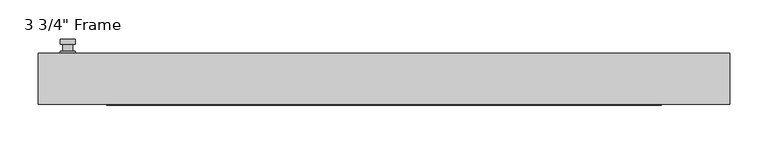
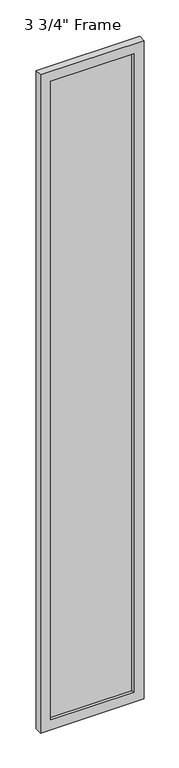
"""IFC4 building model written with IfcOpenShell, lengths in millimetres: plate geometry."""

import ifcopenshell
import ifcopenshell.guid

model = None  # the IFC model being written
_history = None  # IfcOwnerHistory: only IFC2X3 demands one
_inside = {}  # id of a spatial element -> (the spatial element, [elements in it])
_under = {}  # id of a project, library or spatial element -> (it, [spatial elements below it])
_declared = {}  # id of a project -> (the project, [libraries it declares])
_typed = {}  # id of a type object -> (the type object, [elements of that type])
_made_of = {}  # id of a material, layer set ... -> (it, [elements and type objects made of it])


def new_model(schema):
    """Start an empty IFC model of exactly this schema.

    Asked for "IFC4X3", IfcOpenShell would pick the latest addendum, in which some entities
    have other attributes; the version numbers below select the first issue.
    IFC2X3 requires an IfcOwnerHistory on every rooted entity: one is made here for all.
    """
    global model, _history
    if schema == "IFC4X3":
        model = ifcopenshell.file(schema_version=(4, 3, 0, 0))
    else:
        model = ifcopenshell.file(schema=schema)
    _inside.clear()
    _under.clear()
    _declared.clear()
    _typed.clear()
    _made_of.clear()
    _history = None
    if model.schema == "IFC2X3":
        org = make("IfcOrganization", Name="unknown")
        user = make(
            "IfcPersonAndOrganization",
            ThePerson=make("IfcPerson", FamilyName="unknown"),
            TheOrganization=org,
        )
        app = make(
            "IfcApplication",
            ApplicationDeveloper=org,
            Version="unknown",
            ApplicationFullName="unknown",
            ApplicationIdentifier="unknown",
        )
        _history = make(
            "IfcOwnerHistory",
            OwningUser=user,
            OwningApplication=app,
            ChangeAction="ADDED",
            CreationDate=0,
        )
    return model


def make(cls, **values):
    """One entity of the class cls with the attributes given. An attribute that is None is left unset."""
    return model.create_entity(
        cls, **{name: value for name, value in values.items() if value is not None}
    )


def rooted(cls, **values):
    """An entity with a GlobalId (a new one), such as an element, a storey or a relation."""
    return make(cls, GlobalId=ifcopenshell.guid.new(), OwnerHistory=_history, **values)


def si_unit(unit_type, name, prefix=None):
    """IfcSIUnit, for example si_unit("LENGTHUNIT", "METRE", prefix="MILLI")."""
    return make("IfcSIUnit", UnitType=unit_type, Prefix=prefix, Name=name)


def assignment(units):
    """IfcUnitAssignment: the units of a project."""
    return None if units is None else make("IfcUnitAssignment", Units=units)


def point(xyz):
    """IfcCartesianPoint."""
    return None if xyz is None else make("IfcCartesianPoint", Coordinates=xyz)


def direction(xyz):
    """IfcDirection."""
    return None if xyz is None else make("IfcDirection", DirectionRatios=xyz)


def frame(location, z_axis=None, x_axis=None):
    """IfcAxis2Placement3D, a coordinate frame: its origin and axes. An axis left out is left unset."""
    return make(
        "IfcAxis2Placement3D",
        Location=point(location),
        Axis=direction(z_axis),
        RefDirection=direction(x_axis),
    )


def origin():
    """The frame at (0, 0, 0) with its axes left unset."""
    return frame((0.0, 0.0, 0.0))


def place(relative_to, where):
    """IfcLocalPlacement: puts the frame where relative to a parent placement (None: the world)."""
    return make(
        "IfcLocalPlacement", PlacementRelTo=relative_to, RelativePlacement=where
    )


def context(
    kind, dimensions, precision=None, world=None, true_north=None, identifier=None
):
    """IfcGeometricRepresentationContext, for example the 3D "Model" context."""
    return make(
        "IfcGeometricRepresentationContext",
        ContextIdentifier=identifier,
        ContextType=kind,
        CoordinateSpaceDimension=dimensions,
        Precision=precision,
        WorldCoordinateSystem=world,
        TrueNorth=true_north,
    )


def project(units=None, contexts=None):
    """IfcProject with its units and contexts."""
    return rooted(
        "IfcProject",
        Name="project",
        RepresentationContexts=contexts,
        UnitsInContext=assignment(units),
    )


def spatial(cls, under=None, at=None, **own):
    """A site, building, storey or space (cls), placed at a placement, below another one or the project."""
    s = rooted(cls, ObjectPlacement=at, **own)
    if under is not None:
        _under.setdefault(under.id(), (under, []))[1].append(s)
    return s


def polyline(points):
    """IfcPolyline through the points."""
    return make("IfcPolyline", Points=[point(p) for p in points])


def circle_curve(where, radius):
    """IfcCircle in the frame where."""
    return make("IfcCircle", Position=where, Radius=radius)


def outline(outer, holes=None, kind="AREA"):
    """IfcArbitraryClosedProfileDef: a profile drawn as a closed curve; with holes, ...WithVoids."""
    if holes is None:
        return make("IfcArbitraryClosedProfileDef", ProfileType=kind, OuterCurve=outer)
    return make(
        "IfcArbitraryProfileDefWithVoids",
        ProfileType=kind,
        OuterCurve=outer,
        InnerCurves=holes,
    )


def extrude(swept, where, along, depth):
    """IfcExtrudedAreaSolid: the profile swept, set in the frame where, extruded along a direction by depth."""
    return make(
        "IfcExtrudedAreaSolid",
        SweptArea=swept,
        Position=where,
        ExtrudedDirection=direction(along),
        Depth=depth,
    )


def faces_of(points, faces, orient=None, outer=None):
    """IfcFace entities. A face is a list of loops; a loop is a list of indices into points, from 0.

    orient and outer hold one flag for each loop. By default every Orientation is true, the
    first loop of a face is its IfcFaceOuterBound and the others are IfcFaceBound.
    """
    made = []
    for i, loops in enumerate(faces):
        bounds = []
        for j, loop in enumerate(loops):
            is_outer = j == 0 if outer is None else outer[i][j]
            bounds.append(
                make(
                    "IfcFaceOuterBound" if is_outer else "IfcFaceBound",
                    Bound=make("IfcPolyLoop", Polygon=[points[k] for k in loop]),
                    Orientation=True if orient is None else orient[i][j],
                )
            )
        made.append(make("IfcFace", Bounds=bounds))
    return made


def faceted_brep(points, faces, orient=None, outer=None, voids=None):
    """IfcFacetedBrep: a solid bounded by flat faces; with voids (closed shells), ...WithVoids."""
    shared = [point(p) for p in points]
    hull = make("IfcClosedShell", CfsFaces=faces_of(shared, faces, orient, outer))
    if voids is None:
        return make("IfcFacetedBrep", Outer=hull)
    return make(
        "IfcFacetedBrepWithVoids",
        Outer=hull,
        Voids=[
            make(cls, CfsFaces=faces_of(shared, fs, o, b)) for cls, fs, o, b in voids
        ],
    )


def shape(context_of_items, identifier, shape_type, items):
    """IfcShapeRepresentation: the items that make up one representation, for example the "Body"."""
    return make(
        "IfcShapeRepresentation",
        ContextOfItems=context_of_items,
        RepresentationIdentifier=identifier,
        RepresentationType=shape_type,
        Items=items,
    )


def source(mapping_origin, context_of_items, identifier, shape_type, items):
    """IfcRepresentationMap: a shape defined once, which mapped items show again and again."""
    return make(
        "IfcRepresentationMap",
        MappingOrigin=mapping_origin,
        MappedRepresentation=shape(context_of_items, identifier, shape_type, items),
    )


def transform(
    local_origin,
    x_axis=None,
    y_axis=None,
    z_axis=None,
    scale=None,
    scale2=None,
    scale3=None,
    uniform=True,
):
    """IfcCartesianTransformationOperator3D, or its non-uniform kind. x_axis, y_axis, z_axis: its Axis1, 2, 3."""
    if uniform:
        return make(
            "IfcCartesianTransformationOperator3D",
            Axis1=direction(x_axis),
            Axis2=direction(y_axis),
            LocalOrigin=point(local_origin),
            Scale=scale,
            Axis3=direction(z_axis),
        )
    return make(
        "IfcCartesianTransformationOperator3DnonUniform",
        Axis1=direction(x_axis),
        Axis2=direction(y_axis),
        LocalOrigin=point(local_origin),
        Scale=scale,
        Axis3=direction(z_axis),
        Scale2=scale2,
        Scale3=scale3,
    )


def mapped(mapping_source, mapping_target):
    """IfcMappedItem: shows the shape of a source again, moved by a transform."""
    return make(
        "IfcMappedItem", MappingSource=mapping_source, MappingTarget=mapping_target
    )


def made_of(thing, what):
    """Note that an element or type object is made of a material, layer set ...; save() writes the relation."""
    if what is not None:
        _made_of.setdefault(what.id(), (what, []))[1].append(thing)
    return thing


def element(
    cls,
    number,
    at=None,
    inside=None,
    cuts=None,
    type_object=None,
    material=None,
    context=None,
    identifier="Body",
    shape_type=None,
    held_by="IfcProductDefinitionShape",
    body=None,
    shapes=None,
    **own,
):
    """One element of the class cls, such as IfcWall. Its Tag is "e" and its number.

    at: its placement. inside: the storey or other place that contains it. cuts: it is an
    opening in that element (IfcRelVoidsElement). A single representation is given by context,
    identifier, shape_type and body (its items); several are given by shapes. held_by: the class
    of the entity that holds the representations. save() writes the other relations.
    """
    e = rooted(cls, Tag="e%d" % number, ObjectPlacement=at, **own)
    if body is not None:
        shapes = [shape(context, identifier, shape_type, body)]
    if shapes is not None:
        e.Representation = make(held_by, Representations=shapes)
    if inside is not None:
        _inside.setdefault(inside.id(), (inside, []))[1].append(e)
    if cuts is not None:
        rooted(
            "IfcRelVoidsElement", RelatingBuildingElement=cuts, RelatedOpeningElement=e
        )
    if type_object is not None:
        _typed.setdefault(type_object.id(), (type_object, []))[1].append(e)
    return made_of(e, material)


def aggregate(whole, parts):
    """IfcRelAggregates: a whole, such as a stair, and the parts it consists of."""
    return rooted("IfcRelAggregates", RelatingObject=whole, RelatedObjects=parts)


def save(model, path):
    """Write the relations noted so far, then the file.

    IfcRelAggregates (storeys below a building ...), IfcRelContainedInSpatialStructure (elements
    in a storey), IfcRelDefinesByType, IfcRelAssociatesMaterial and IfcRelDeclares: one each for
    every whole, place, type object, material and project.
    """
    for whole, parts in _under.values():
        aggregate(whole, parts)
    for where, things in _inside.values():
        rooted(
            "IfcRelContainedInSpatialStructure",
            RelatedElements=things,
            RelatingStructure=where,
        )
    for kind, things in _typed.values():
        rooted("IfcRelDefinesByType", RelatedObjects=things, RelatingType=kind)
    for what, things in _made_of.values():
        rooted("IfcRelAssociatesMaterial", RelatedObjects=things, RelatingMaterial=what)
    for by, libraries in _declared.values():
        rooted("IfcRelDeclares", RelatingContext=by, RelatedDefinitions=libraries)
    model.write(path)


def plane_surface(at):
    """IfcPlane: the flat surface through the origin of the frame at, square to its z axis."""
    return make("IfcPlane", Position=at)


def cylinder_surface(at, radius):
    """IfcCylindricalSurface: all points at the distance radius from the z axis of the frame at."""
    return make("IfcCylindricalSurface", Position=at, Radius=radius)


def advanced_brep(points, edges, surfaces, faces):
    """IfcAdvancedBrep: a solid bounded by faces that lie on surfaces and meet in shared edges.

    An edge is (start, end): straight between two places in points (the first is 0);
    or (start, end, curve); or (start, end, curve, False) where it runs against its curve.
    A face is (place in surfaces, loops), or (place, loops, False) where it looks against
    its surface's normal. A loop lists edges by number (the first is 1), with a minus sign
    where the edge is run from its end to its start. The first loop is the outer one.
    """
    corners = [point(p) for p in points]
    vertices = [make("IfcVertexPoint", VertexGeometry=c) for c in corners]
    made = []
    for start, end, *more in edges:
        made.append(
            make(
                "IfcEdgeCurve",
                EdgeStart=vertices[start],
                EdgeEnd=vertices[end],
                EdgeGeometry=more[0] if more else make("IfcPolyline", Points=[corners[start], corners[end]]),
                SameSense=more[1] if len(more) > 1 else True,
            )
        )
    hull = []
    for where, loops, *sense in faces:
        bounds = []
        for j, loop in enumerate(loops):
            ring = [make("IfcOrientedEdge", EdgeElement=made[abs(k) - 1], Orientation=k > 0) for k in loop]
            bounds.append(
                make(
                    "IfcFaceOuterBound" if j == 0 else "IfcFaceBound",
                    Bound=make("IfcEdgeLoop", EdgeList=ring),
                    Orientation=True,
                )
            )
        hull.append(make("IfcAdvancedFace", Bounds=bounds, FaceSurface=surfaces[where], SameSense=sense[0] if sense else True))
    return make("IfcAdvancedBrep", Outer=make("IfcClosedShell", CfsFaces=hull))


def plate_99ef1d85(model_context):
    return source(origin(), model_context, "Body", "SolidModel", [
        advanced_brep(
        [(-401.6375, 33.3375, 927.1), (-420.6875, 33.3375, 927.1), (-420.6875, 33.3375, 901.7), (-401.6375, 33.3375, 901.7), (-404.8125, 46.0375, 914.4), (-404.8125, 36.5125, 914.4), (-417.5125, 36.5125, 914.4), (-417.5125, 46.0375, 914.4), (-401.6375, 46.0375, 914.4), (-420.6875, 46.0375, 914.4), (-417.5084644, 46.0375, 825.2736467), (-404.8165356, 46.0375, 825.2736467), (-401.6375, 52.3875, 914.4), (-404.8165356, 52.3875, 825.2736467), (-417.5084644, 52.3875, 825.2736467), (-420.6875, 52.3875, 914.4), (-401.6375, 36.5125, 927.1), (-401.6375, 36.5125, 901.7), (-420.6875, 36.5125, 901.7), (-420.6875, 36.5125, 927.1)],
        [
            (0, 1, circle_curve(frame((-411.1625, 33.3375, 927.1), z_axis=(0.0, -1.0, 0.0), x_axis=(-1.0, 0.0, 0.0)), 9.525)),
            (1, 2),
            (2, 3, circle_curve(frame((-411.1625, 33.3375, 901.7), z_axis=(0.0, -1.0, 0.0), x_axis=(-1.0, 0.0, 0.0)), 9.525)),
            (3, 0),
            (4, 5),
            (5, 6, circle_curve(frame((-411.1625, 36.5125, 914.4), z_axis=(0.0, 1.0, 0.0), x_axis=(-1.0, 0.0, 0.0)), 6.35)),
            (6, 7),
            (7, 4, circle_curve(frame((-411.1625, 46.0375, 914.4), z_axis=(0.0, -1.0, 0.0), x_axis=(-1.0, 0.0, 0.0)), 6.35)),
            (6, 5, circle_curve(frame((-411.1625, 36.5125, 914.4), z_axis=(0.0, 1.0, 0.0), x_axis=(-1.0, 0.0, 0.0)), 6.35)),
            (4, 7, circle_curve(frame((-411.1625, 46.0375, 914.4), z_axis=(0.0, -1.0, 0.0), x_axis=(-1.0, 0.0, 0.0)), 6.35)),
            (8, 9, circle_curve(frame((-411.1625, 46.0375, 914.4), z_axis=(0.0, -1.0, 0.0), x_axis=(-1.0, 0.0, 0.0)), 9.525)),
            (9, 10),
            (10, 11, circle_curve(frame((-411.1625, 46.0375, 825.5), z_axis=(0.0, -1.0, 0.0), x_axis=(-1.0, 0.0, 0.0)), 6.35)),
            (11, 8),
            (12, 13),
            (13, 14, circle_curve(frame((-411.1625, 52.3875, 825.5), z_axis=(0.0, 1.0, 0.0), x_axis=(-1.0, 0.0, 0.0)), 6.35)),
            (14, 15),
            (15, 12, circle_curve(frame((-411.1625, 52.3875, 914.4), z_axis=(0.0, 1.0, 0.0), x_axis=(-1.0, 0.0, 0.0)), 9.525)),
            (11, 13),
            (12, 8),
            (10, 14),
            (9, 15),
            (16, 17),
            (17, 18, circle_curve(frame((-411.1625, 36.5125, 901.7), z_axis=(0.0, 1.0, 0.0), x_axis=(-1.0, 0.0, 0.0)), 9.525)),
            (18, 19),
            (19, 16, circle_curve(frame((-411.1625, 36.5125, 927.1), z_axis=(0.0, 1.0, 0.0), x_axis=(-1.0, 0.0, 0.0)), 9.525)),
            (3, 17),
            (16, 0),
            (2, 18),
            (1, 19),
        ],
        [
            plane_surface(frame((-417.5125, 33.3375, 914.4), z_axis=(0.0, -1.0, 0.0), x_axis=(0.0, 0.0, 1.0))),
            cylinder_surface(frame((-411.1625, 46.0375, 914.4), z_axis=(0.0, -1.0, 0.0), x_axis=(-1.0, 0.0, 0.0)), 6.35),
            plane_surface(frame((-401.6375, 46.0375, 914.4), z_axis=(0.0, -1.0000000000000002, 0.0), x_axis=(-0.03564619348186888, 0.0, -0.9993644724975235))),
            plane_surface(frame((-401.6375, 52.3875, 914.4), z_axis=(0.0, 1.0000000000000002, 0.0), x_axis=(0.03564619348186888, 0.0, 0.9993644724975235))),
            plane_surface(frame((-401.6375, 46.0375, 914.4), z_axis=(0.9993644724975235, 0.0, -0.03564619348186888), x_axis=(0.0, 1.0, 0.0))),
            cylinder_surface(frame((-411.1625, 52.3875, 825.5), z_axis=(0.0, -1.0, 0.0), x_axis=(-1.0, 0.0, 0.0)), 6.35),
            plane_surface(frame((-417.5084644, 46.0375, 825.2736467), z_axis=(-0.9993644724975228, 0.0, -0.03564619348188612), x_axis=(0.0, 1.0, 0.0))),
            cylinder_surface(frame((-411.1625, 52.3875, 914.4), z_axis=(0.0, -1.0, 0.0), x_axis=(-1.0, 0.0, 0.0)), 9.525),
            plane_surface(frame((-401.6375, 36.5125, 901.7), z_axis=(0.0, 1.0, 0.0), x_axis=(0.0, 0.0, 1.0))),
            plane_surface(frame((-401.6375, 33.3375, 927.1), z_axis=(1.0, 0.0, 0.0), x_axis=(0.0, 1.0, 0.0))),
            cylinder_surface(frame((-411.1625, 36.5125, 901.7), z_axis=(0.0, -1.0, 0.0), x_axis=(-1.0, 0.0, 0.0)), 9.525),
            plane_surface(frame((-420.6875, 33.3375, 901.7), z_axis=(-1.0, 0.0, 0.0), x_axis=(0.0, 1.0, 0.0))),
            cylinder_surface(frame((-411.1625, 36.5125, 927.1), z_axis=(0.0, -1.0, 0.0), x_axis=(-1.0, 0.0, 0.0)), 9.525),
        ],
        [
            (0, [[1, 2, 3, 4]]),
            (1, [[5, 6, 7, 8]]),
            (1, [[-7, 9, -5, 10]]),
            (2, [[11, 12, 13, 14], [-10, -8]]),
            (3, [[15, 16, 17, 18]]),
            (4, [[19, -15, 20, -14]]),
            (5, [[21, -16, -19, -13]]),
            (6, [[22, -17, -21, -12]]),
            (7, [[-20, -18, -22, -11]]),
            (8, [[23, 24, 25, 26], [-9, -6]]),
            (9, [[27, -23, 28, -4]]),
            (10, [[29, -24, -27, -3]]),
            (11, [[30, -25, -29, -2]]),
            (12, [[-28, -26, -30, -1]]),
        ],
    ),
        faceted_brep([(-449.2625, 33.3375, 0.0), (449.2625, 33.3375, 0.0), (449.2625, -33.3375, 0.0), (-449.2625, -33.3375, 0.0), (-449.2625, 33.3375, 6021.3875), (449.2625, 33.3375, 6021.3875), (-360.3625, 33.3375, 5932.4875), (-360.3625, 33.3375, 88.9), (360.3625, 33.3375, 88.9), (360.3625, 33.3375, 5932.4875), (-449.2625, -33.3375, 6021.3875), (449.2625, -33.3375, 6021.3875), (-360.3625, -33.3375, 5932.4875), (360.3625, -33.3375, 5932.4875), (360.3625, -33.3375, 88.9), (-360.3625, -33.3375, 88.9), (-354.0125, -11.90625, 95.25), (-354.0125, -11.90625, 5926.1375), (366.7125, -11.90625, 5938.8375), (366.7125, -11.90625, 82.55), (-366.7125, -11.90625, 82.55), (-366.7125, -11.90625, 5938.8375), (354.0125, -11.90625, 95.25), (354.0125, -11.90625, 5926.1375), (-366.7125, 11.90625, 82.55), (-366.7125, 11.90625, 5938.8375), (366.7125, 11.90625, 82.55), (366.7125, 11.90625, 5938.8375), (-354.0125, 11.90625, 5926.1375), (354.0125, 11.90625, 5926.1375), (354.0125, 11.90625, 95.25), (-354.0125, 11.90625, 95.25)], [[[0, 1, 2, 3]], [[0, 4, 5, 1], [6, 7, 8, 9]], [[3, 10, 4, 0]], [[2, 11, 10, 3], [12, 13, 14, 15]], [[12, 15, 16, 17]], [[18, 19, 20, 21], [17, 16, 22, 23]], [[20, 24, 25, 21]], [[25, 24, 26, 27], [28, 29, 30, 31]], [[28, 31, 7, 6]], [[4, 10, 11, 5]], [[12, 17, 23, 13]], [[21, 25, 27, 18]], [[9, 29, 28, 6]], [[5, 11, 2, 1]], [[23, 22, 14, 13]], [[26, 19, 18, 27]], [[9, 8, 30, 29]], [[7, 31, 30, 8]], [[19, 26, 24, 20]], [[16, 15, 14, 22]]]),
        extrude(outline(polyline([(366.7125, 11.90625), (366.7125, -11.90625), (-366.7125, -11.90625), (-366.7125, 11.90625), (366.7125, 11.90625)])), frame((0.0, 0.0, 82.55), z_axis=(0.0, 0.0, 1.0), x_axis=(1.0, 0.0, 0.0)), (0.0, 0.0, 1.0), 5856.2875),
    ])


if __name__ == "__main__":
    model = new_model("IFC4")
    model_context = context("Model", 3, world=origin())
    ifc_project = project(units=[si_unit("LENGTHUNIT", "METRE", prefix="MILLI")], contexts=[model_context])
    site = spatial("IfcSite", under=ifc_project)
    building = spatial("IfcBuilding", under=site)
    placement = place(None, origin())
    plate_shape = plate_99ef1d85(model_context)
    element("IfcPlate", 1, ObjectType="3 3/4\" Frame", at=placement, inside=building, context=model_context, shape_type="MappedRepresentation", body=[
        mapped(plate_shape, transform((0.0, 0.0, 0.0), x_axis=(1.0, 0.0, 0.0), y_axis=(0.0, 1.0, 0.0), z_axis=(0.0, 0.0, 1.0))),
    ])
    save(model, "model.ifc")
